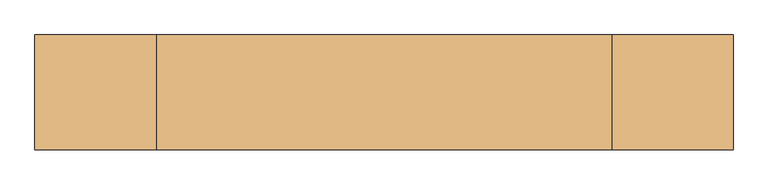
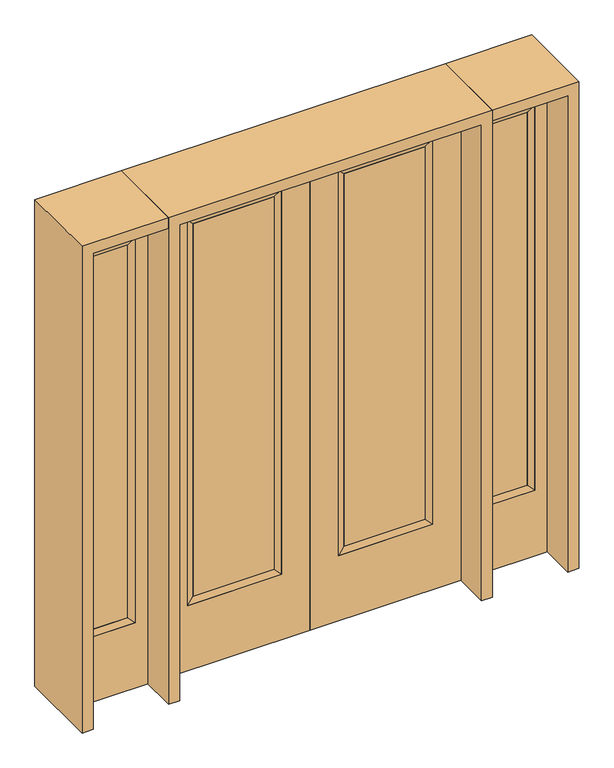
"""IFC4 building model written with IfcOpenShell, lengths in millimetres: door geometry."""

from ifc_helpers import new_model, si_unit, frame, origin, place, context, project, spatial, polyline, outline, extrude, faceted_brep, source, transform, mapped, element, save


def door_a9c679bc(model_context):
    return source(origin(), model_context, "Body", "SolidModel", [
        extrude(outline(polyline([(140.8176, 12.7039749), (468.7824, 12.7039749), (468.7824, -14.2875), (140.8176, -14.2875), (140.8176, 12.7039749)])), frame((0.0, 0.0, 304.8), z_axis=(0.0, 0.0, 1.0), x_axis=(1.0, 0.0, 0.0)), (0.0, 0.0, 1.0), 1590.675),
        faceted_brep([(140.8176, -14.2875, 1895.475), (115.4176, -22.225, 1920.875), (115.4176, -22.225, 279.4), (140.8176, -14.2875, 304.8), (115.4176, 22.225, 1920.875), (115.4176, 22.225, 279.4), (494.1824, -22.225, 279.4), (468.7824, -14.2875, 304.8), (140.8176, 12.7039749, 1895.475), (140.8176, 12.7039749, 304.8), (468.7824, 12.7039749, 304.8), (494.1824, 22.225, 279.4), (494.1824, -22.225, 1920.875), (468.7824, -14.2875, 1895.475), (468.7824, 12.7039749, 1895.475), (494.1824, 22.225, 1920.875)], [[[0, 1, 2, 3]], [[1, 4, 5, 2]], [[3, 2, 6, 7]], [[8, 0, 3, 9]], [[9, 3, 7, 10]], [[4, 8, 9, 5]], [[5, 9, 10, 11]], [[2, 5, 11, 6]], [[7, 6, 12, 13]], [[10, 7, 13, 14]], [[11, 10, 14, 15]], [[6, 11, 15, 12]], [[13, 12, 1, 0]], [[14, 13, 0, 8]], [[15, 14, 8, 4]], [[12, 15, 4, 1]]]),
        extrude(outline(polyline([(0.0, 609.6), (2032.0, 609.6), (2032.0, 0.0), (0.0, 0.0), (0.0, 609.6)]), holes=[polyline([(279.4, 494.1824), (279.4, 115.4176), (1920.875, 115.4176), (1920.875, 494.1824), (279.4, 494.1824)])]), frame((0.0, -22.225, 0.0), z_axis=(0.0, 1.0, 0.0), x_axis=(0.0, 0.0, 1.0)), (0.0, 0.0, 1.0), 44.45),
        extrude(outline(polyline([(-140.8176, 12.7039749), (-140.8176, -14.2875), (-468.7824, -14.2875), (-468.7824, 12.7039749), (-140.8176, 12.7039749)])), frame((0.0, 0.0, 304.8), z_axis=(0.0, 0.0, 1.0), x_axis=(1.0, 0.0, 0.0)), (0.0, 0.0, 1.0), 1590.675),
        faceted_brep([(-140.8176, -14.2875, 1895.475), (-140.8176, -14.2875, 304.8), (-115.4176, -22.225, 279.4), (-115.4176, -22.225, 1920.875), (-115.4176, 22.225, 279.4), (-115.4176, 22.225, 1920.875), (-468.7824, -14.2875, 304.8), (-494.1824, -22.225, 279.4), (-140.8176, 12.7039749, 1895.475), (-140.8176, 12.7039749, 304.8), (-468.7824, 12.7039749, 304.8), (-494.1824, 22.225, 279.4), (-468.7824, -14.2875, 1895.475), (-494.1824, -22.225, 1920.875), (-468.7824, 12.7039749, 1895.475), (-494.1824, 22.225, 1920.875)], [[[0, 1, 2, 3]], [[3, 2, 4, 5]], [[1, 6, 7, 2]], [[8, 9, 1, 0]], [[9, 10, 6, 1]], [[5, 4, 9, 8]], [[4, 11, 10, 9]], [[2, 7, 11, 4]], [[6, 12, 13, 7]], [[10, 14, 12, 6]], [[11, 15, 14, 10]], [[7, 13, 15, 11]], [[12, 0, 3, 13]], [[14, 8, 0, 12]], [[15, 5, 8, 14]], [[13, 3, 5, 15]]]),
        extrude(outline(polyline([(0.0, -609.6), (0.0, 0.0), (2032.0, 0.0), (2032.0, -609.6), (0.0, -609.6)]), holes=[polyline([(279.4, -494.1824), (1920.875, -494.1824), (1920.875, -115.4176), (279.4, -115.4176), (279.4, -494.1824)])]), frame((0.0, -22.225, 0.0), z_axis=(0.0, 1.0, 0.0), x_axis=(0.0, 0.0, 1.0)), (0.0, 0.0, 1.0), 44.45),
        faceted_brep([(704.85, -20.6375, 1920.875), (704.85, 20.6375, 1920.875), (704.85, 20.6375, 279.4), (704.85, -20.6375, 279.4), (730.25, 12.7, 1895.475), (730.25, 12.7, 304.8), (908.05, 20.6375, 279.4), (908.05, -20.6375, 279.4), (730.25, -12.7, 1895.475), (730.25, -12.7, 304.8), (882.65, -12.7, 304.8), (882.65, 12.7, 304.8), (908.05, 20.6375, 1920.875), (908.05, -20.6375, 1920.875), (882.65, -12.7, 1895.475), (882.65, 12.7, 1895.475)], [[[0, 1, 2, 3]], [[1, 4, 5, 2]], [[3, 2, 6, 7]], [[8, 0, 3, 9]], [[9, 3, 7, 10]], [[4, 8, 9, 5]], [[5, 9, 10, 11]], [[2, 5, 11, 6]], [[7, 6, 12, 13]], [[10, 7, 13, 14]], [[11, 10, 14, 15]], [[6, 11, 15, 12]], [[13, 12, 1, 0]], [[14, 13, 0, 8]], [[15, 14, 8, 4]], [[12, 15, 4, 1]]]),
        extrude(outline(polyline([(0.0, 958.85), (2032.0, 958.85), (2032.0, 654.05), (0.0, 654.05), (0.0, 958.85)]), holes=[polyline([(1920.875, 704.85), (1920.875, 908.05), (279.4, 908.05), (279.4, 704.85), (1920.875, 704.85)])]), frame((0.0, -20.6375, 0.0), z_axis=(0.0, 1.0, 0.0), x_axis=(0.0, 0.0, 1.0)), (0.0, 0.0, 1.0), 41.275),
        extrude(outline(polyline([(730.25, 12.7), (882.65, 12.7), (882.65, -12.7), (730.25, -12.7), (730.25, 12.7)])), frame((0.0, 0.0, 304.8), z_axis=(0.0, 0.0, 1.0), x_axis=(1.0, 0.0, 0.0)), (0.0, 0.0, 1.0), 1590.675),
        faceted_brep([(-704.85, -20.6375, 1920.875), (-704.85, -20.6375, 279.4), (-704.85, 20.6375, 279.4), (-704.85, 20.6375, 1920.875), (-730.25, 12.7, 304.8), (-730.25, 12.7, 1895.475), (-908.05, -20.6375, 279.4), (-908.05, 20.6375, 279.4), (-730.25, -12.7, 1895.475), (-730.25, -12.7, 304.8), (-882.65, -12.7, 304.8), (-882.65, 12.7, 304.8), (-908.05, -20.6375, 1920.875), (-908.05, 20.6375, 1920.875), (-882.65, -12.7, 1895.475), (-882.65, 12.7, 1895.475)], [[[0, 1, 2, 3]], [[3, 2, 4, 5]], [[1, 6, 7, 2]], [[8, 9, 1, 0]], [[9, 10, 6, 1]], [[5, 4, 9, 8]], [[4, 11, 10, 9]], [[2, 7, 11, 4]], [[6, 12, 13, 7]], [[10, 14, 12, 6]], [[11, 15, 14, 10]], [[7, 13, 15, 11]], [[12, 0, 3, 13]], [[14, 8, 0, 12]], [[15, 5, 8, 14]], [[13, 3, 5, 15]]]),
        extrude(outline(polyline([(0.0, -958.85), (0.0, -654.05), (2032.0, -654.05), (2032.0, -958.85), (0.0, -958.85)]), holes=[polyline([(1920.875, -704.85), (279.4, -704.85), (279.4, -908.05), (1920.875, -908.05), (1920.875, -704.85)])]), frame((0.0, -20.6375, 0.0), z_axis=(0.0, 1.0, 0.0), x_axis=(0.0, 0.0, 1.0)), (0.0, 0.0, 1.0), 41.275),
        extrude(outline(polyline([(-730.25, 12.7), (-730.25, -12.7), (-882.65, -12.7), (-882.65, 12.7), (-730.25, 12.7)])), frame((0.0, 0.0, 304.8), z_axis=(0.0, 0.0, 1.0), x_axis=(1.0, 0.0, 0.0)), (0.0, 0.0, 1.0), 1590.675),
        extrude(outline(polyline([(2076.45, -654.05), (2076.45, -1003.3), (0.0, -1003.3), (0.0, -958.85), (2032.0, -958.85), (2032.0, -654.05), (2076.45, -654.05)])), frame((0.0, -165.1, 0.0), z_axis=(0.0, 1.0, 0.0), x_axis=(0.0, 0.0, 1.0)), (0.0, 0.0, 1.0), 330.2),
        extrude(outline(polyline([(2076.45, -654.05), (0.0, -654.05), (0.0, -609.6), (2032.0, -609.6), (2032.0, 609.6), (0.0, 609.6), (0.0, 654.05), (2076.45, 654.05), (2076.45, -654.05)])), frame((0.0, -165.1, 0.0), z_axis=(0.0, 1.0, 0.0), x_axis=(0.0, 0.0, 1.0)), (0.0, 0.0, 1.0), 330.2),
        extrude(outline(polyline([(0.0, 1003.3), (2076.45, 1003.3), (2076.45, 654.05), (2032.0, 654.05), (2032.0, 958.85), (0.0, 958.85), (0.0, 1003.3)])), frame((0.0, -165.1, 0.0), z_axis=(0.0, 1.0, 0.0), x_axis=(0.0, 0.0, 1.0)), (0.0, 0.0, 1.0), 330.2),
    ])


if __name__ == "__main__":
    model = new_model("IFC4")
    model_context = context("Model", 3, world=origin())
    ifc_project = project(units=[si_unit("LENGTHUNIT", "METRE", prefix="MILLI")], contexts=[model_context])
    site = spatial("IfcSite", under=ifc_project)
    building = spatial("IfcBuilding", under=site)
    placement = place(None, origin())
    door_shape = door_a9c679bc(model_context)
    element("IfcDoor", 1, at=placement, inside=building, context=model_context, shape_type="MappedRepresentation", body=[
        mapped(door_shape, transform((0.0, 0.0, 0.0), x_axis=(1.0, 0.0, 0.0), y_axis=(0.0, 1.0, 0.0), z_axis=(0.0, 0.0, 1.0))),
    ])
    save(model, "model.ifc")
